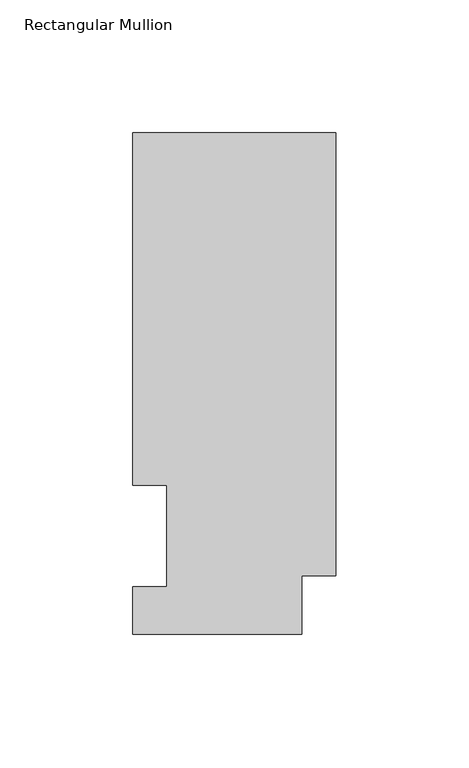
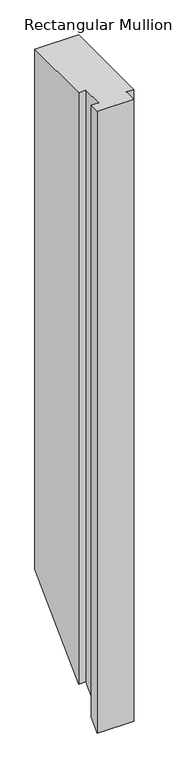
"""IFC4 building model written with IfcOpenShell, lengths in millimetres: member geometry, Rectangular Mullion."""

import ifcopenshell
import ifcopenshell.guid

model = None  # the IFC model being written
_history = None  # IfcOwnerHistory: only IFC2X3 demands one
_inside = {}  # id of a spatial element -> (the spatial element, [elements in it])
_under = {}  # id of a project, library or spatial element -> (it, [spatial elements below it])
_declared = {}  # id of a project -> (the project, [libraries it declares])
_typed = {}  # id of a type object -> (the type object, [elements of that type])
_made_of = {}  # id of a material, layer set ... -> (it, [elements and type objects made of it])


def new_model(schema):
    """Start an empty IFC model of exactly this schema.

    Asked for "IFC4X3", IfcOpenShell would pick the latest addendum, in which some entities
    have other attributes; the version numbers below select the first issue.
    IFC2X3 requires an IfcOwnerHistory on every rooted entity: one is made here for all.
    """
    global model, _history
    if schema == "IFC4X3":
        model = ifcopenshell.file(schema_version=(4, 3, 0, 0))
    else:
        model = ifcopenshell.file(schema=schema)
    _inside.clear()
    _under.clear()
    _declared.clear()
    _typed.clear()
    _made_of.clear()
    _history = None
    if model.schema == "IFC2X3":
        org = make("IfcOrganization", Name="unknown")
        user = make(
            "IfcPersonAndOrganization",
            ThePerson=make("IfcPerson", FamilyName="unknown"),
            TheOrganization=org,
        )
        app = make(
            "IfcApplication",
            ApplicationDeveloper=org,
            Version="unknown",
            ApplicationFullName="unknown",
            ApplicationIdentifier="unknown",
        )
        _history = make(
            "IfcOwnerHistory",
            OwningUser=user,
            OwningApplication=app,
            ChangeAction="ADDED",
            CreationDate=0,
        )
    return model


def make(cls, **values):
    """One entity of the class cls with the attributes given. An attribute that is None is left unset."""
    return model.create_entity(
        cls, **{name: value for name, value in values.items() if value is not None}
    )


def rooted(cls, **values):
    """An entity with a GlobalId (a new one), such as an element, a storey or a relation."""
    return make(cls, GlobalId=ifcopenshell.guid.new(), OwnerHistory=_history, **values)


def si_unit(unit_type, name, prefix=None):
    """IfcSIUnit, for example si_unit("LENGTHUNIT", "METRE", prefix="MILLI")."""
    return make("IfcSIUnit", UnitType=unit_type, Prefix=prefix, Name=name)


def assignment(units):
    """IfcUnitAssignment: the units of a project."""
    return None if units is None else make("IfcUnitAssignment", Units=units)


def point(xyz):
    """IfcCartesianPoint."""
    return None if xyz is None else make("IfcCartesianPoint", Coordinates=xyz)


def direction(xyz):
    """IfcDirection."""
    return None if xyz is None else make("IfcDirection", DirectionRatios=xyz)


def frame(location, z_axis=None, x_axis=None):
    """IfcAxis2Placement3D, a coordinate frame: its origin and axes. An axis left out is left unset."""
    return make(
        "IfcAxis2Placement3D",
        Location=point(location),
        Axis=direction(z_axis),
        RefDirection=direction(x_axis),
    )


def origin():
    """The frame at (0, 0, 0) with its axes left unset."""
    return frame((0.0, 0.0, 0.0))


def place(relative_to, where):
    """IfcLocalPlacement: puts the frame where relative to a parent placement (None: the world)."""
    return make(
        "IfcLocalPlacement", PlacementRelTo=relative_to, RelativePlacement=where
    )


def context(
    kind, dimensions, precision=None, world=None, true_north=None, identifier=None
):
    """IfcGeometricRepresentationContext, for example the 3D "Model" context."""
    return make(
        "IfcGeometricRepresentationContext",
        ContextIdentifier=identifier,
        ContextType=kind,
        CoordinateSpaceDimension=dimensions,
        Precision=precision,
        WorldCoordinateSystem=world,
        TrueNorth=true_north,
    )


def project(units=None, contexts=None):
    """IfcProject with its units and contexts."""
    return rooted(
        "IfcProject",
        Name="project",
        RepresentationContexts=contexts,
        UnitsInContext=assignment(units),
    )


def spatial(cls, under=None, at=None, **own):
    """A site, building, storey or space (cls), placed at a placement, below another one or the project."""
    s = rooted(cls, ObjectPlacement=at, **own)
    if under is not None:
        _under.setdefault(under.id(), (under, []))[1].append(s)
    return s


def faces_of(points, faces, orient=None, outer=None):
    """IfcFace entities. A face is a list of loops; a loop is a list of indices into points, from 0.

    orient and outer hold one flag for each loop. By default every Orientation is true, the
    first loop of a face is its IfcFaceOuterBound and the others are IfcFaceBound.
    """
    made = []
    for i, loops in enumerate(faces):
        bounds = []
        for j, loop in enumerate(loops):
            is_outer = j == 0 if outer is None else outer[i][j]
            bounds.append(
                make(
                    "IfcFaceOuterBound" if is_outer else "IfcFaceBound",
                    Bound=make("IfcPolyLoop", Polygon=[points[k] for k in loop]),
                    Orientation=True if orient is None else orient[i][j],
                )
            )
        made.append(make("IfcFace", Bounds=bounds))
    return made


def faceted_brep(points, faces, orient=None, outer=None, voids=None):
    """IfcFacetedBrep: a solid bounded by flat faces; with voids (closed shells), ...WithVoids."""
    shared = [point(p) for p in points]
    hull = make("IfcClosedShell", CfsFaces=faces_of(shared, faces, orient, outer))
    if voids is None:
        return make("IfcFacetedBrep", Outer=hull)
    return make(
        "IfcFacetedBrepWithVoids",
        Outer=hull,
        Voids=[
            make(cls, CfsFaces=faces_of(shared, fs, o, b)) for cls, fs, o, b in voids
        ],
    )


def shape(context_of_items, identifier, shape_type, items):
    """IfcShapeRepresentation: the items that make up one representation, for example the "Body"."""
    return make(
        "IfcShapeRepresentation",
        ContextOfItems=context_of_items,
        RepresentationIdentifier=identifier,
        RepresentationType=shape_type,
        Items=items,
    )


def source(mapping_origin, context_of_items, identifier, shape_type, items):
    """IfcRepresentationMap: a shape defined once, which mapped items show again and again."""
    return make(
        "IfcRepresentationMap",
        MappingOrigin=mapping_origin,
        MappedRepresentation=shape(context_of_items, identifier, shape_type, items),
    )


def transform(
    local_origin,
    x_axis=None,
    y_axis=None,
    z_axis=None,
    scale=None,
    scale2=None,
    scale3=None,
    uniform=True,
):
    """IfcCartesianTransformationOperator3D, or its non-uniform kind. x_axis, y_axis, z_axis: its Axis1, 2, 3."""
    if uniform:
        return make(
            "IfcCartesianTransformationOperator3D",
            Axis1=direction(x_axis),
            Axis2=direction(y_axis),
            LocalOrigin=point(local_origin),
            Scale=scale,
            Axis3=direction(z_axis),
        )
    return make(
        "IfcCartesianTransformationOperator3DnonUniform",
        Axis1=direction(x_axis),
        Axis2=direction(y_axis),
        LocalOrigin=point(local_origin),
        Scale=scale,
        Axis3=direction(z_axis),
        Scale2=scale2,
        Scale3=scale3,
    )


def mapped(mapping_source, mapping_target):
    """IfcMappedItem: shows the shape of a source again, moved by a transform."""
    return make(
        "IfcMappedItem", MappingSource=mapping_source, MappingTarget=mapping_target
    )


def made_of(thing, what):
    """Note that an element or type object is made of a material, layer set ...; save() writes the relation."""
    if what is not None:
        _made_of.setdefault(what.id(), (what, []))[1].append(thing)
    return thing


def element(
    cls,
    number,
    at=None,
    inside=None,
    cuts=None,
    type_object=None,
    material=None,
    context=None,
    identifier="Body",
    shape_type=None,
    held_by="IfcProductDefinitionShape",
    body=None,
    shapes=None,
    **own,
):
    """One element of the class cls, such as IfcWall. Its Tag is "e" and its number.

    at: its placement. inside: the storey or other place that contains it. cuts: it is an
    opening in that element (IfcRelVoidsElement). A single representation is given by context,
    identifier, shape_type and body (its items); several are given by shapes. held_by: the class
    of the entity that holds the representations. save() writes the other relations.
    """
    e = rooted(cls, Tag="e%d" % number, ObjectPlacement=at, **own)
    if body is not None:
        shapes = [shape(context, identifier, shape_type, body)]
    if shapes is not None:
        e.Representation = make(held_by, Representations=shapes)
    if inside is not None:
        _inside.setdefault(inside.id(), (inside, []))[1].append(e)
    if cuts is not None:
        rooted(
            "IfcRelVoidsElement", RelatingBuildingElement=cuts, RelatedOpeningElement=e
        )
    if type_object is not None:
        _typed.setdefault(type_object.id(), (type_object, []))[1].append(e)
    return made_of(e, material)


def aggregate(whole, parts):
    """IfcRelAggregates: a whole, such as a stair, and the parts it consists of."""
    return rooted("IfcRelAggregates", RelatingObject=whole, RelatedObjects=parts)


def save(model, path):
    """Write the relations noted so far, then the file.

    IfcRelAggregates (storeys below a building ...), IfcRelContainedInSpatialStructure (elements
    in a storey), IfcRelDefinesByType, IfcRelAssociatesMaterial and IfcRelDeclares: one each for
    every whole, place, type object, material and project.
    """
    for whole, parts in _under.values():
        aggregate(whole, parts)
    for where, things in _inside.values():
        rooted(
            "IfcRelContainedInSpatialStructure",
            RelatedElements=things,
            RelatingStructure=where,
        )
    for kind, things in _typed.values():
        rooted("IfcRelDefinesByType", RelatedObjects=things, RelatingType=kind)
    for what, things in _made_of.values():
        rooted("IfcRelAssociatesMaterial", RelatedObjects=things, RelatingMaterial=what)
    for by, libraries in _declared.values():
        rooted("IfcRelDeclares", RelatingContext=by, RelatedDefinitions=libraries)
    model.write(path)


def rectangular_mullion_979c4f86(model_context):
    return source(origin(), model_context, "Body", "Brep", [
        faceted_brep([(-76.2, 189.0897822, 0.0), (-76.2, 56.6539062, 0.0), (-63.5762, 56.6539062, 0.0), (-63.5762, 18.5539063, 0.0), (-76.2, 18.5539063, 0.0), (-76.2, 0.5199062, 0.0), (-12.7, 0.5199062, 0.0), (-12.7, 22.6195299, 0.0), (0.0, 22.6195299, 0.0), (0.0, 189.0897822, 0.0), (-76.2, 189.0897822, -959.6753347), (-76.2, 56.6539062, -1092.1112107), (-63.5762, 56.6539062, -1092.1112107), (-63.5762, 18.5539063, -1130.2112107), (-76.2, 18.5539063, -1130.2112107), (-76.2, 0.5199062, -1148.2452107), (-12.7, 0.5199062, -1148.2452107), (-12.7, 22.6195299, -1126.145587), (0.0, 22.6195299, -1126.145587), (0.0, 189.0897822, -959.6753347)], [[[0, 1, 2, 3, 4, 5, 6, 7, 8, 9]], [[1, 0, 10, 11]], [[2, 1, 11, 12]], [[3, 2, 12, 13]], [[4, 3, 13, 14]], [[5, 4, 14, 15]], [[6, 5, 15, 16]], [[7, 6, 16, 17]], [[8, 7, 17, 18]], [[9, 8, 18, 19]], [[0, 9, 19, 10]], [[10, 19, 18, 17, 16, 15, 14, 13, 12, 11]]]),
    ])


if __name__ == "__main__":
    model = new_model("IFC4")
    model_context = context("Model", 3, world=origin())
    ifc_project = project(units=[si_unit("LENGTHUNIT", "METRE", prefix="MILLI")], contexts=[model_context])
    site = spatial("IfcSite", under=ifc_project)
    building = spatial("IfcBuilding", under=site)
    placement = place(None, origin())
    rectangular_mullion_shape = rectangular_mullion_979c4f86(model_context)
    element("IfcMember", 1, ObjectType="Rectangular Mullion", at=placement, inside=building, context=model_context, shape_type="MappedRepresentation", body=[
        mapped(rectangular_mullion_shape, transform((0.0, 0.0, 0.0), x_axis=(1.0, 0.0, 0.0), y_axis=(0.0, 1.0, 0.0), z_axis=(0.0, 0.0, 1.0))),
    ])
    save(model, "model.ifc")
